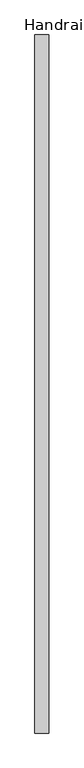
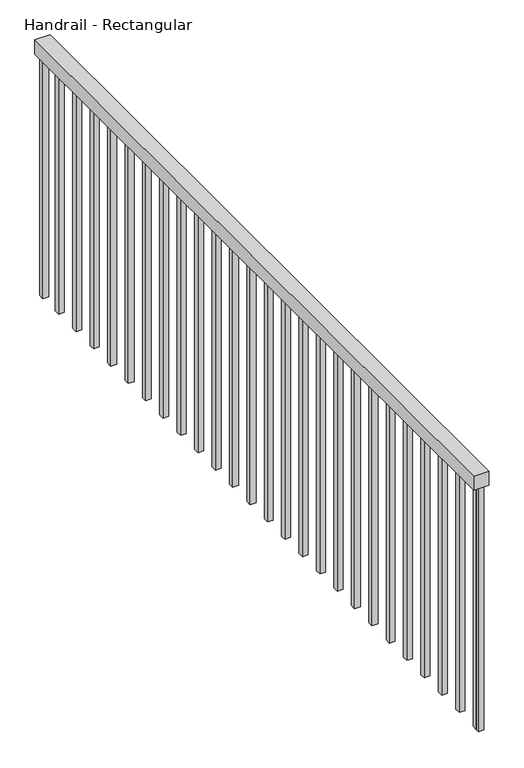
"""IFC4 building model written with IfcOpenShell, lengths in millimetres: railing geometry, Handrail - Rectangular."""

from ifc_helpers import new_model, si_unit, frame, origin, place, context, project, spatial, polyline, outline, extrude, source, transform, mapped, element, save


def handrail_rectangular_69fcbfc4(model_context):
    return source(origin(), model_context, "Body", "SweptSolid", [
        extrude(outline(polyline([(3194.736121, 3532.9686834), (3245.536121, 3532.9686834), (3245.536121, 972.9686834), (3194.736121, 972.9686834), (3194.736121, 3532.9686834)])), frame((0.0, 0.0, 4353.6), z_axis=(0.0, 0.0, 1.0), x_axis=(1.0, 0.0, 0.0)), (0.0, 0.0, 1.0), 50.8),
        extrude(outline(polyline([(3210.611121, 1002.4936834), (3229.661121, 1002.4936834), (3229.661121, 983.4436834), (3210.611121, 983.4436834), (3210.611121, 1002.4936834)])), frame((0.0, 0.0, 3490.0), z_axis=(0.0, 0.0, 1.0), x_axis=(1.0, 0.0, 0.0)), (0.0, 0.0, 1.0), 863.6),
        extrude(outline(polyline([(3210.611121, 1104.0936834), (3229.661121, 1104.0936834), (3229.661121, 1085.0436834), (3210.611121, 1085.0436834), (3210.611121, 1104.0936834)])), frame((0.0, 0.0, 3490.0), z_axis=(0.0, 0.0, 1.0), x_axis=(1.0, 0.0, 0.0)), (0.0, 0.0, 1.0), 863.6),
        extrude(outline(polyline([(3210.611121, 1205.6936834), (3229.661121, 1205.6936834), (3229.661121, 1186.6436834), (3210.611121, 1186.6436834), (3210.611121, 1205.6936834)])), frame((0.0, 0.0, 3490.0), z_axis=(0.0, 0.0, 1.0), x_axis=(1.0, 0.0, 0.0)), (0.0, 0.0, 1.0), 863.6),
        extrude(outline(polyline([(3210.611121, 1307.2936834), (3229.661121, 1307.2936834), (3229.661121, 1288.2436834), (3210.611121, 1288.2436834), (3210.611121, 1307.2936834)])), frame((0.0, 0.0, 3490.0), z_axis=(0.0, 0.0, 1.0), x_axis=(1.0, 0.0, 0.0)), (0.0, 0.0, 1.0), 863.6),
        extrude(outline(polyline([(3210.611121, 1408.8936834), (3229.661121, 1408.8936834), (3229.661121, 1389.8436834), (3210.611121, 1389.8436834), (3210.611121, 1408.8936834)])), frame((0.0, 0.0, 3490.0), z_axis=(0.0, 0.0, 1.0), x_axis=(1.0, 0.0, 0.0)), (0.0, 0.0, 1.0), 863.6),
        extrude(outline(polyline([(3210.611121, 1510.4936834), (3229.661121, 1510.4936834), (3229.661121, 1491.4436834), (3210.611121, 1491.4436834), (3210.611121, 1510.4936834)])), frame((0.0, 0.0, 3490.0), z_axis=(0.0, 0.0, 1.0), x_axis=(1.0, 0.0, 0.0)), (0.0, 0.0, 1.0), 863.6),
        extrude(outline(polyline([(3210.611121, 1612.0936834), (3229.661121, 1612.0936834), (3229.661121, 1593.0436834), (3210.611121, 1593.0436834), (3210.611121, 1612.0936834)])), frame((0.0, 0.0, 3490.0), z_axis=(0.0, 0.0, 1.0), x_axis=(1.0, 0.0, 0.0)), (0.0, 0.0, 1.0), 863.6),
        extrude(outline(polyline([(3210.611121, 1713.6936834), (3229.661121, 1713.6936834), (3229.661121, 1694.6436834), (3210.611121, 1694.6436834), (3210.611121, 1713.6936834)])), frame((0.0, 0.0, 3490.0), z_axis=(0.0, 0.0, 1.0), x_axis=(1.0, 0.0, 0.0)), (0.0, 0.0, 1.0), 863.6),
        extrude(outline(polyline([(3210.611121, 1815.2936834), (3229.661121, 1815.2936834), (3229.661121, 1796.2436834), (3210.611121, 1796.2436834), (3210.611121, 1815.2936834)])), frame((0.0, 0.0, 3490.0), z_axis=(0.0, 0.0, 1.0), x_axis=(1.0, 0.0, 0.0)), (0.0, 0.0, 1.0), 863.6),
        extrude(outline(polyline([(3210.611121, 1916.8936834), (3229.661121, 1916.8936834), (3229.661121, 1897.8436834), (3210.611121, 1897.8436834), (3210.611121, 1916.8936834)])), frame((0.0, 0.0, 3490.0), z_axis=(0.0, 0.0, 1.0), x_axis=(1.0, 0.0, 0.0)), (0.0, 0.0, 1.0), 863.6),
        extrude(outline(polyline([(3210.611121, 2018.4936834), (3229.661121, 2018.4936834), (3229.661121, 1999.4436834), (3210.611121, 1999.4436834), (3210.611121, 2018.4936834)])), frame((0.0, 0.0, 3490.0), z_axis=(0.0, 0.0, 1.0), x_axis=(1.0, 0.0, 0.0)), (0.0, 0.0, 1.0), 863.6),
        extrude(outline(polyline([(3210.611121, 2120.0936834), (3229.661121, 2120.0936834), (3229.661121, 2101.0436834), (3210.611121, 2101.0436834), (3210.611121, 2120.0936834)])), frame((0.0, 0.0, 3490.0), z_axis=(0.0, 0.0, 1.0), x_axis=(1.0, 0.0, 0.0)), (0.0, 0.0, 1.0), 863.6),
        extrude(outline(polyline([(3210.611121, 2221.6936834), (3229.661121, 2221.6936834), (3229.661121, 2202.6436834), (3210.611121, 2202.6436834), (3210.611121, 2221.6936834)])), frame((0.0, 0.0, 3490.0), z_axis=(0.0, 0.0, 1.0), x_axis=(1.0, 0.0, 0.0)), (0.0, 0.0, 1.0), 863.6),
        extrude(outline(polyline([(3210.611121, 2323.2936834), (3229.661121, 2323.2936834), (3229.661121, 2304.2436834), (3210.611121, 2304.2436834), (3210.611121, 2323.2936834)])), frame((0.0, 0.0, 3490.0), z_axis=(0.0, 0.0, 1.0), x_axis=(1.0, 0.0, 0.0)), (0.0, 0.0, 1.0), 863.6),
        extrude(outline(polyline([(3210.611121, 2424.8936834), (3229.661121, 2424.8936834), (3229.661121, 2405.8436834), (3210.611121, 2405.8436834), (3210.611121, 2424.8936834)])), frame((0.0, 0.0, 3490.0), z_axis=(0.0, 0.0, 1.0), x_axis=(1.0, 0.0, 0.0)), (0.0, 0.0, 1.0), 863.6),
        extrude(outline(polyline([(3210.611121, 2526.4936834), (3229.661121, 2526.4936834), (3229.661121, 2507.4436834), (3210.611121, 2507.4436834), (3210.611121, 2526.4936834)])), frame((0.0, 0.0, 3490.0), z_axis=(0.0, 0.0, 1.0), x_axis=(1.0, 0.0, 0.0)), (0.0, 0.0, 1.0), 863.6),
        extrude(outline(polyline([(3210.611121, 2628.0936834), (3229.661121, 2628.0936834), (3229.661121, 2609.0436834), (3210.611121, 2609.0436834), (3210.611121, 2628.0936834)])), frame((0.0, 0.0, 3490.0), z_axis=(0.0, 0.0, 1.0), x_axis=(1.0, 0.0, 0.0)), (0.0, 0.0, 1.0), 863.6),
        extrude(outline(polyline([(3210.611121, 2729.6936834), (3229.661121, 2729.6936834), (3229.661121, 2710.6436834), (3210.611121, 2710.6436834), (3210.611121, 2729.6936834)])), frame((0.0, 0.0, 3490.0), z_axis=(0.0, 0.0, 1.0), x_axis=(1.0, 0.0, 0.0)), (0.0, 0.0, 1.0), 863.6),
        extrude(outline(polyline([(3210.611121, 2831.2936834), (3229.661121, 2831.2936834), (3229.661121, 2812.2436834), (3210.611121, 2812.2436834), (3210.611121, 2831.2936834)])), frame((0.0, 0.0, 3490.0), z_axis=(0.0, 0.0, 1.0), x_axis=(1.0, 0.0, 0.0)), (0.0, 0.0, 1.0), 863.6),
        extrude(outline(polyline([(3210.611121, 2932.8936834), (3229.661121, 2932.8936834), (3229.661121, 2913.8436834), (3210.611121, 2913.8436834), (3210.611121, 2932.8936834)])), frame((0.0, 0.0, 3490.0), z_axis=(0.0, 0.0, 1.0), x_axis=(1.0, 0.0, 0.0)), (0.0, 0.0, 1.0), 863.6),
        extrude(outline(polyline([(3210.611121, 3034.4936834), (3229.661121, 3034.4936834), (3229.661121, 3015.4436834), (3210.611121, 3015.4436834), (3210.611121, 3034.4936834)])), frame((0.0, 0.0, 3490.0), z_axis=(0.0, 0.0, 1.0), x_axis=(1.0, 0.0, 0.0)), (0.0, 0.0, 1.0), 863.6),
        extrude(outline(polyline([(3210.611121, 3136.0936834), (3229.661121, 3136.0936834), (3229.661121, 3117.0436834), (3210.611121, 3117.0436834), (3210.611121, 3136.0936834)])), frame((0.0, 0.0, 3490.0), z_axis=(0.0, 0.0, 1.0), x_axis=(1.0, 0.0, 0.0)), (0.0, 0.0, 1.0), 863.6),
        extrude(outline(polyline([(3210.611121, 3237.6936834), (3229.661121, 3237.6936834), (3229.661121, 3218.6436834), (3210.611121, 3218.6436834), (3210.611121, 3237.6936834)])), frame((0.0, 0.0, 3490.0), z_axis=(0.0, 0.0, 1.0), x_axis=(1.0, 0.0, 0.0)), (0.0, 0.0, 1.0), 863.6),
        extrude(outline(polyline([(3210.611121, 3339.2936834), (3229.661121, 3339.2936834), (3229.661121, 3320.2436834), (3210.611121, 3320.2436834), (3210.611121, 3339.2936834)])), frame((0.0, 0.0, 3490.0), z_axis=(0.0, 0.0, 1.0), x_axis=(1.0, 0.0, 0.0)), (0.0, 0.0, 1.0), 863.6),
        extrude(outline(polyline([(3210.611121, 3440.8936834), (3229.661121, 3440.8936834), (3229.661121, 3421.8436834), (3210.611121, 3421.8436834), (3210.611121, 3440.8936834)])), frame((0.0, 0.0, 3490.0), z_axis=(0.0, 0.0, 1.0), x_axis=(1.0, 0.0, 0.0)), (0.0, 0.0, 1.0), 863.6),
        extrude(outline(polyline([(3210.611121, 992.0186834), (3229.661121, 992.0186834), (3229.661121, 972.9686834), (3210.611121, 972.9686834), (3210.611121, 992.0186834)])), frame((0.0, 0.0, 3490.0), z_axis=(0.0, 0.0, 1.0), x_axis=(1.0, 0.0, 0.0)), (0.0, 0.0, 1.0), 863.6),
        extrude(outline(polyline([(3210.611121, 3532.9686834), (3229.661121, 3532.9686834), (3229.661121, 3513.9186834), (3210.611121, 3513.9186834), (3210.611121, 3532.9686834)])), frame((0.0, 0.0, 3490.0), z_axis=(0.0, 0.0, 1.0), x_axis=(1.0, 0.0, 0.0)), (0.0, 0.0, 1.0), 863.6),
    ])


if __name__ == "__main__":
    model = new_model("IFC4")
    model_context = context("Model", 3, world=origin())
    ifc_project = project(units=[si_unit("LENGTHUNIT", "METRE", prefix="MILLI")], contexts=[model_context])
    site = spatial("IfcSite", under=ifc_project)
    building = spatial("IfcBuilding", under=site)
    placement = place(None, origin())
    handrail_rectangular_shape = handrail_rectangular_69fcbfc4(model_context)
    element("IfcRailing", 1, ObjectType="Handrail - Rectangular", at=placement, inside=building, context=model_context, shape_type="MappedRepresentation", body=[
        mapped(handrail_rectangular_shape, transform((0.0, 0.0, 0.0), x_axis=(1.0, 0.0, 0.0), y_axis=(0.0, 1.0, 0.0), z_axis=(0.0, 0.0, 1.0))),
    ])
    save(model, "model.ifc")
